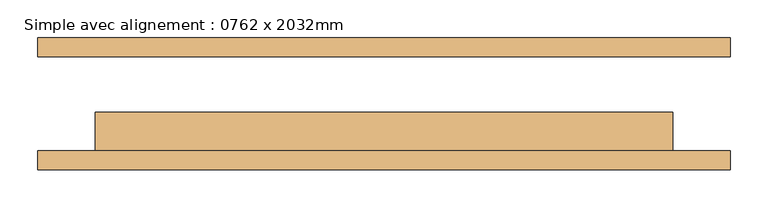
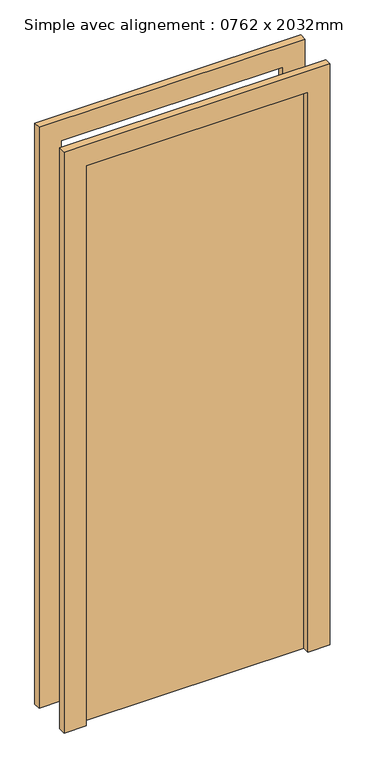
"""IFC4 building model written with IfcOpenShell, lengths in millimetres: door geometry, Simple avec alignement : 0762 x 2032mm."""

import ifcopenshell
import ifcopenshell.guid

model = None  # the IFC model being written
_history = None  # IfcOwnerHistory: only IFC2X3 demands one
_inside = {}  # id of a spatial element -> (the spatial element, [elements in it])
_under = {}  # id of a project, library or spatial element -> (it, [spatial elements below it])
_declared = {}  # id of a project -> (the project, [libraries it declares])
_typed = {}  # id of a type object -> (the type object, [elements of that type])
_made_of = {}  # id of a material, layer set ... -> (it, [elements and type objects made of it])


def new_model(schema):
    """Start an empty IFC model of exactly this schema.

    Asked for "IFC4X3", IfcOpenShell would pick the latest addendum, in which some entities
    have other attributes; the version numbers below select the first issue.
    IFC2X3 requires an IfcOwnerHistory on every rooted entity: one is made here for all.
    """
    global model, _history
    if schema == "IFC4X3":
        model = ifcopenshell.file(schema_version=(4, 3, 0, 0))
    else:
        model = ifcopenshell.file(schema=schema)
    _inside.clear()
    _under.clear()
    _declared.clear()
    _typed.clear()
    _made_of.clear()
    _history = None
    if model.schema == "IFC2X3":
        org = make("IfcOrganization", Name="unknown")
        user = make(
            "IfcPersonAndOrganization",
            ThePerson=make("IfcPerson", FamilyName="unknown"),
            TheOrganization=org,
        )
        app = make(
            "IfcApplication",
            ApplicationDeveloper=org,
            Version="unknown",
            ApplicationFullName="unknown",
            ApplicationIdentifier="unknown",
        )
        _history = make(
            "IfcOwnerHistory",
            OwningUser=user,
            OwningApplication=app,
            ChangeAction="ADDED",
            CreationDate=0,
        )
    return model


def make(cls, **values):
    """One entity of the class cls with the attributes given. An attribute that is None is left unset."""
    return model.create_entity(
        cls, **{name: value for name, value in values.items() if value is not None}
    )


def rooted(cls, **values):
    """An entity with a GlobalId (a new one), such as an element, a storey or a relation."""
    return make(cls, GlobalId=ifcopenshell.guid.new(), OwnerHistory=_history, **values)


def si_unit(unit_type, name, prefix=None):
    """IfcSIUnit, for example si_unit("LENGTHUNIT", "METRE", prefix="MILLI")."""
    return make("IfcSIUnit", UnitType=unit_type, Prefix=prefix, Name=name)


def assignment(units):
    """IfcUnitAssignment: the units of a project."""
    return None if units is None else make("IfcUnitAssignment", Units=units)


def point(xyz):
    """IfcCartesianPoint."""
    return None if xyz is None else make("IfcCartesianPoint", Coordinates=xyz)


def direction(xyz):
    """IfcDirection."""
    return None if xyz is None else make("IfcDirection", DirectionRatios=xyz)


def frame(location, z_axis=None, x_axis=None):
    """IfcAxis2Placement3D, a coordinate frame: its origin and axes. An axis left out is left unset."""
    return make(
        "IfcAxis2Placement3D",
        Location=point(location),
        Axis=direction(z_axis),
        RefDirection=direction(x_axis),
    )


def origin():
    """The frame at (0, 0, 0) with its axes left unset."""
    return frame((0.0, 0.0, 0.0))


def origin_with_axes():
    """The frame at (0, 0, 0) with the z axis (0, 0, 1) and the x axis (1, 0, 0) written out."""
    return frame((0.0, 0.0, 0.0), z_axis=(0.0, 0.0, 1.0), x_axis=(1.0, 0.0, 0.0))


def place(relative_to, where):
    """IfcLocalPlacement: puts the frame where relative to a parent placement (None: the world)."""
    return make(
        "IfcLocalPlacement", PlacementRelTo=relative_to, RelativePlacement=where
    )


def context(
    kind, dimensions, precision=None, world=None, true_north=None, identifier=None
):
    """IfcGeometricRepresentationContext, for example the 3D "Model" context."""
    return make(
        "IfcGeometricRepresentationContext",
        ContextIdentifier=identifier,
        ContextType=kind,
        CoordinateSpaceDimension=dimensions,
        Precision=precision,
        WorldCoordinateSystem=world,
        TrueNorth=true_north,
    )


def project(units=None, contexts=None):
    """IfcProject with its units and contexts."""
    return rooted(
        "IfcProject",
        Name="project",
        RepresentationContexts=contexts,
        UnitsInContext=assignment(units),
    )


def spatial(cls, under=None, at=None, **own):
    """A site, building, storey or space (cls), placed at a placement, below another one or the project."""
    s = rooted(cls, ObjectPlacement=at, **own)
    if under is not None:
        _under.setdefault(under.id(), (under, []))[1].append(s)
    return s


def polyline(points):
    """IfcPolyline through the points."""
    return make("IfcPolyline", Points=[point(p) for p in points])


def outline(outer, holes=None, kind="AREA"):
    """IfcArbitraryClosedProfileDef: a profile drawn as a closed curve; with holes, ...WithVoids."""
    if holes is None:
        return make("IfcArbitraryClosedProfileDef", ProfileType=kind, OuterCurve=outer)
    return make(
        "IfcArbitraryProfileDefWithVoids",
        ProfileType=kind,
        OuterCurve=outer,
        InnerCurves=holes,
    )


def extrude(swept, where, along, depth):
    """IfcExtrudedAreaSolid: the profile swept, set in the frame where, extruded along a direction by depth."""
    return make(
        "IfcExtrudedAreaSolid",
        SweptArea=swept,
        Position=where,
        ExtrudedDirection=direction(along),
        Depth=depth,
    )


def shape(context_of_items, identifier, shape_type, items):
    """IfcShapeRepresentation: the items that make up one representation, for example the "Body"."""
    return make(
        "IfcShapeRepresentation",
        ContextOfItems=context_of_items,
        RepresentationIdentifier=identifier,
        RepresentationType=shape_type,
        Items=items,
    )


def source(mapping_origin, context_of_items, identifier, shape_type, items):
    """IfcRepresentationMap: a shape defined once, which mapped items show again and again."""
    return make(
        "IfcRepresentationMap",
        MappingOrigin=mapping_origin,
        MappedRepresentation=shape(context_of_items, identifier, shape_type, items),
    )


def transform(
    local_origin,
    x_axis=None,
    y_axis=None,
    z_axis=None,
    scale=None,
    scale2=None,
    scale3=None,
    uniform=True,
):
    """IfcCartesianTransformationOperator3D, or its non-uniform kind. x_axis, y_axis, z_axis: its Axis1, 2, 3."""
    if uniform:
        return make(
            "IfcCartesianTransformationOperator3D",
            Axis1=direction(x_axis),
            Axis2=direction(y_axis),
            LocalOrigin=point(local_origin),
            Scale=scale,
            Axis3=direction(z_axis),
        )
    return make(
        "IfcCartesianTransformationOperator3DnonUniform",
        Axis1=direction(x_axis),
        Axis2=direction(y_axis),
        LocalOrigin=point(local_origin),
        Scale=scale,
        Axis3=direction(z_axis),
        Scale2=scale2,
        Scale3=scale3,
    )


def mapped(mapping_source, mapping_target):
    """IfcMappedItem: shows the shape of a source again, moved by a transform."""
    return make(
        "IfcMappedItem", MappingSource=mapping_source, MappingTarget=mapping_target
    )


def made_of(thing, what):
    """Note that an element or type object is made of a material, layer set ...; save() writes the relation."""
    if what is not None:
        _made_of.setdefault(what.id(), (what, []))[1].append(thing)
    return thing


def element(
    cls,
    number,
    at=None,
    inside=None,
    cuts=None,
    type_object=None,
    material=None,
    context=None,
    identifier="Body",
    shape_type=None,
    held_by="IfcProductDefinitionShape",
    body=None,
    shapes=None,
    **own,
):
    """One element of the class cls, such as IfcWall. Its Tag is "e" and its number.

    at: its placement. inside: the storey or other place that contains it. cuts: it is an
    opening in that element (IfcRelVoidsElement). A single representation is given by context,
    identifier, shape_type and body (its items); several are given by shapes. held_by: the class
    of the entity that holds the representations. save() writes the other relations.
    """
    e = rooted(cls, Tag="e%d" % number, ObjectPlacement=at, **own)
    if body is not None:
        shapes = [shape(context, identifier, shape_type, body)]
    if shapes is not None:
        e.Representation = make(held_by, Representations=shapes)
    if inside is not None:
        _inside.setdefault(inside.id(), (inside, []))[1].append(e)
    if cuts is not None:
        rooted(
            "IfcRelVoidsElement", RelatingBuildingElement=cuts, RelatedOpeningElement=e
        )
    if type_object is not None:
        _typed.setdefault(type_object.id(), (type_object, []))[1].append(e)
    return made_of(e, material)


def aggregate(whole, parts):
    """IfcRelAggregates: a whole, such as a stair, and the parts it consists of."""
    return rooted("IfcRelAggregates", RelatingObject=whole, RelatedObjects=parts)


def save(model, path):
    """Write the relations noted so far, then the file.

    IfcRelAggregates (storeys below a building ...), IfcRelContainedInSpatialStructure (elements
    in a storey), IfcRelDefinesByType, IfcRelAssociatesMaterial and IfcRelDeclares: one each for
    every whole, place, type object, material and project.
    """
    for whole, parts in _under.values():
        aggregate(whole, parts)
    for where, things in _inside.values():
        rooted(
            "IfcRelContainedInSpatialStructure",
            RelatedElements=things,
            RelatingStructure=where,
        )
    for kind, things in _typed.values():
        rooted("IfcRelDefinesByType", RelatedObjects=things, RelatingType=kind)
    for what, things in _made_of.values():
        rooted("IfcRelAssociatesMaterial", RelatedObjects=things, RelatingMaterial=what)
    for by, libraries in _declared.values():
        rooted("IfcRelDeclares", RelatingContext=by, RelatedDefinitions=libraries)
    model.write(path)


def simple_avec_alignement_0762_x_2032mm_1c354163(model_context):
    return source(origin(), model_context, "Body", "SweptSolid", [
        extrude(outline(polyline([(2108.0, -457.0), (0.0, -457.0), (0.0, -381.0), (2032.0, -381.0), (2032.0, 381.0), (0.0, 381.0), (0.0, 457.0), (2108.0, 457.0), (2108.0, -457.0)])), frame((0.0, -87.0, 0.0), z_axis=(0.0, 1.0, 0.0), x_axis=(0.0, 0.0, 1.0)), (0.0, 0.0, 1.0), 25.0),
        extrude(outline(polyline([(2108.0, 457.0), (2108.0, -457.0), (0.0, -457.0), (0.0, -381.0), (2032.0, -381.0), (2032.0, 381.0), (0.0, 381.0), (0.0, 457.0), (2108.0, 457.0)])), frame((0.0, 62.0, 0.0), z_axis=(0.0, 1.0, 0.0), x_axis=(0.0, 0.0, 1.0)), (0.0, 0.0, 1.0), 25.0),
        extrude(outline(polyline([(381.0, -11.0), (381.0, -62.0), (-381.0, -62.0), (-381.0, -11.0), (381.0, -11.0)])), origin_with_axes(), (0.0, 0.0, 1.0), 2032.0),
    ])


if __name__ == "__main__":
    model = new_model("IFC4")
    model_context = context("Model", 3, world=origin())
    ifc_project = project(units=[si_unit("LENGTHUNIT", "METRE", prefix="MILLI")], contexts=[model_context])
    site = spatial("IfcSite", under=ifc_project)
    building = spatial("IfcBuilding", under=site)
    placement = place(None, origin())
    simple_avec_alignement_0762_x_2032mm_shape = simple_avec_alignement_0762_x_2032mm_1c354163(model_context)
    element("IfcDoor", 1, ObjectType="Simple avec alignement : 0762 x 2032mm", at=placement, inside=building, context=model_context, shape_type="MappedRepresentation", body=[
        mapped(simple_avec_alignement_0762_x_2032mm_shape, transform((0.0, 0.0, 0.0), x_axis=(1.0, 0.0, 0.0), y_axis=(0.0, 1.0, 0.0), z_axis=(0.0, 0.0, 1.0))),
    ])
    save(model, "model.ifc")
